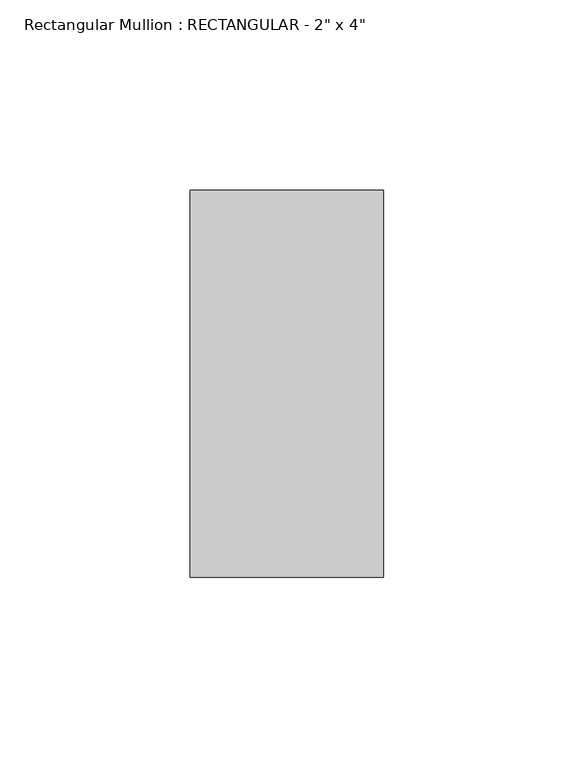
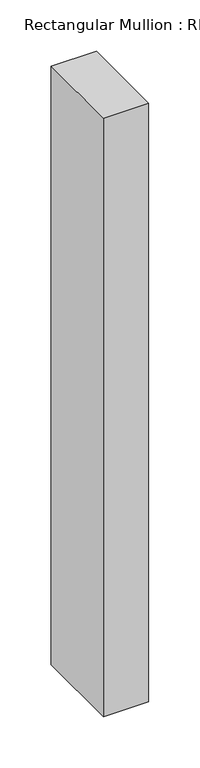
"""IFC4 building model written with IfcOpenShell, lengths in millimetres: member geometry."""

from ifc_helpers import new_model, si_unit, frame, origin, place, context, project, spatial, polyline, outline, extrude, source, transform, mapped, element, save


def member_307f37f2(model_context):
    return source(origin(), model_context, "Body", "SweptSolid", [
        extrude(outline(polyline([(0.0, 50.8), (0.0, -50.8), (-50.8, -50.8), (-50.8, 50.8), (0.0, 50.8)])), frame((0.0, 0.0, -711.1999997), z_axis=(0.0, 0.0, 1.0), x_axis=(1.0, 0.0, 0.0)), (0.0, 0.0, 1.0), 711.1999997),
    ])


if __name__ == "__main__":
    model = new_model("IFC4")
    model_context = context("Model", 3, world=origin())
    ifc_project = project(units=[si_unit("LENGTHUNIT", "METRE", prefix="MILLI")], contexts=[model_context])
    site = spatial("IfcSite", under=ifc_project)
    building = spatial("IfcBuilding", under=site)
    placement = place(None, origin())
    member_shape = member_307f37f2(model_context)
    element("IfcMember", 1, ObjectType="Rectangular Mullion : RECTANGULAR - 2\" x 4\"", at=placement, inside=building, context=model_context, shape_type="MappedRepresentation", body=[
        mapped(member_shape, transform((0.0, 0.0, 0.0), x_axis=(1.0, 0.0, 0.0), y_axis=(0.0, 1.0, 0.0), z_axis=(0.0, 0.0, 1.0))),
    ])
    save(model, "model.ifc")
